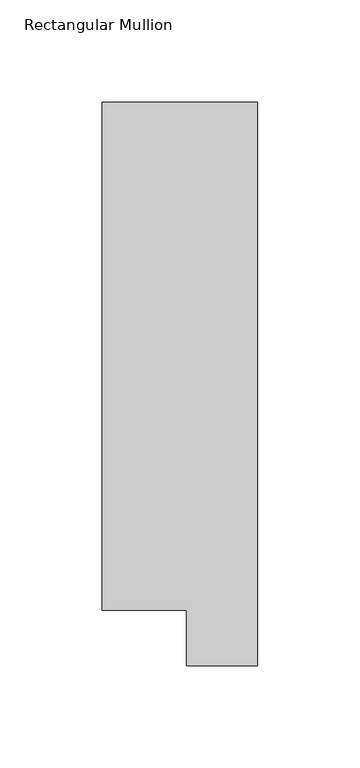
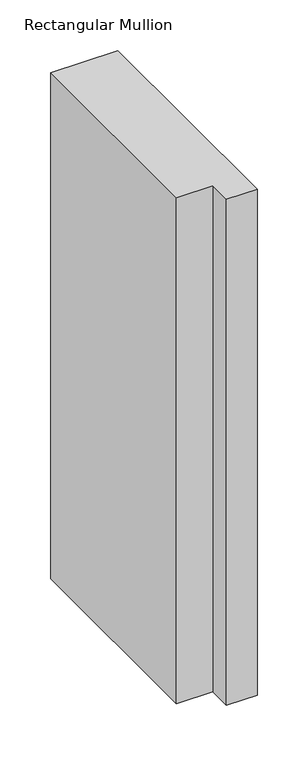
"""IFC4 building model written with IfcOpenShell, lengths in millimetres: member geometry, Rectangular Mullion."""

from ifc_helpers import new_model, si_unit, frame, origin, place, context, project, spatial, polyline, outline, extrude, source, transform, mapped, element, save


def rectangular_mullion_c7929291(model_context):
    return source(origin(), model_context, "Body", "SweptSolid", [
        extrude(outline(polyline([(0.0, 295.1821312), (0.0, 19.5667313), (-34.9123, 19.5667313), (-34.9123, 46.7447302), (-76.2, 46.7447302), (-76.2, 295.1821312), (0.0, 295.1821312)])), frame((0.0, 0.0, -609.56825), z_axis=(0.0, 0.0, 1.0), x_axis=(1.0, 0.0, 0.0)), (0.0, 0.0, 1.0), 609.56825),
    ])


if __name__ == "__main__":
    model = new_model("IFC4")
    model_context = context("Model", 3, world=origin())
    ifc_project = project(units=[si_unit("LENGTHUNIT", "METRE", prefix="MILLI")], contexts=[model_context])
    site = spatial("IfcSite", under=ifc_project)
    building = spatial("IfcBuilding", under=site)
    placement = place(None, origin())
    rectangular_mullion_shape = rectangular_mullion_c7929291(model_context)
    element("IfcMember", 1, ObjectType="Rectangular Mullion", at=placement, inside=building, context=model_context, shape_type="MappedRepresentation", body=[
        mapped(rectangular_mullion_shape, transform((0.0, 0.0, 0.0), x_axis=(1.0, 0.0, 0.0), y_axis=(0.0, 1.0, 0.0), z_axis=(0.0, 0.0, 1.0))),
    ])
    save(model, "model.ifc")
